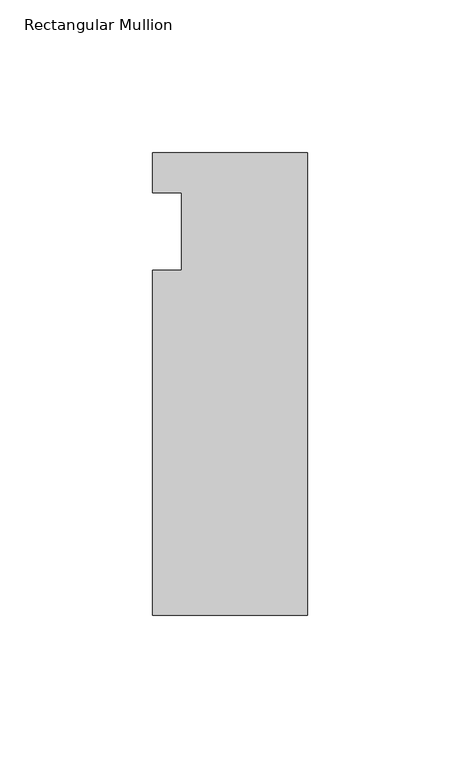
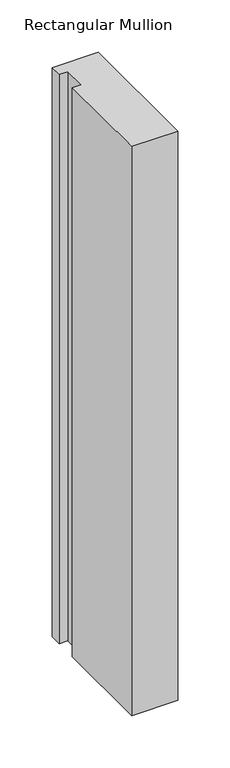
"""IFC4 building model written with IfcOpenShell, lengths in millimetres: member geometry, Rectangular Mullion."""

from ifc_helpers import new_model, si_unit, frame, origin, place, context, project, spatial, polyline, outline, extrude, source, transform, mapped, element, save


def rectangular_mullion_a60ca6cf(model_context):
    return source(origin(), model_context, "Body", "SweptSolid", [
        extrude(outline(polyline([(-50.8, 25.7961253), (0.0, 25.7961253), (0.0, -125.8036906), (-50.8, -125.8036906), (-50.8, -12.7), (-41.275, -12.7), (-41.275, 12.7), (-50.8, 12.7), (-50.8, 25.7961253)])), frame((0.0, 0.0, -664.216413), z_axis=(0.0, 0.0, 1.0), x_axis=(1.0, 0.0, 0.0)), (0.0, 0.0, 1.0), 664.216413),
    ])


if __name__ == "__main__":
    model = new_model("IFC4")
    model_context = context("Model", 3, world=origin())
    ifc_project = project(units=[si_unit("LENGTHUNIT", "METRE", prefix="MILLI")], contexts=[model_context])
    site = spatial("IfcSite", under=ifc_project)
    building = spatial("IfcBuilding", under=site)
    placement = place(None, origin())
    rectangular_mullion_shape = rectangular_mullion_a60ca6cf(model_context)
    element("IfcMember", 1, ObjectType="Rectangular Mullion", at=placement, inside=building, context=model_context, shape_type="MappedRepresentation", body=[
        mapped(rectangular_mullion_shape, transform((0.0, 0.0, 0.0), x_axis=(1.0, 0.0, 0.0), y_axis=(0.0, 1.0, 0.0), z_axis=(0.0, 0.0, 1.0))),
    ])
    save(model, "model.ifc")
